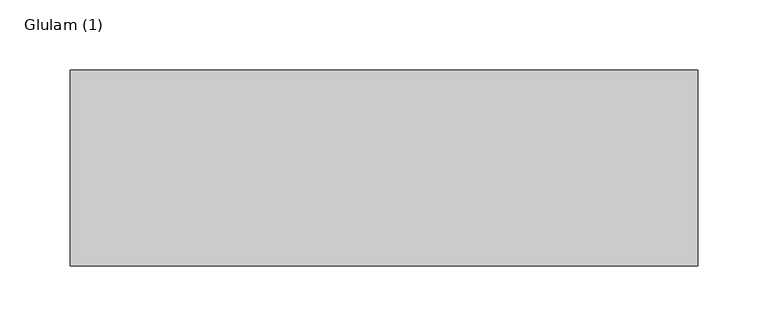
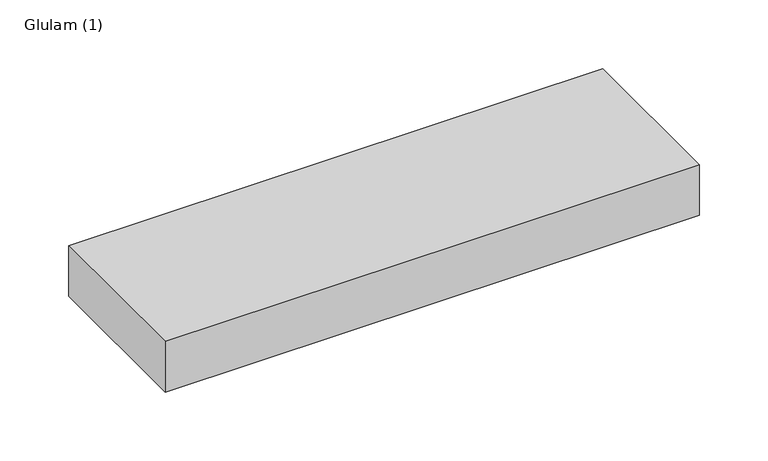
"""IFC4 building model written with IfcOpenShell, lengths in millimetres: beam geometry, Glulam (1)."""

from ifc_helpers import new_model, si_unit, frame, origin, place, context, project, spatial, polyline, outline, extrude, source, transform, mapped, element, save


def glulam_1_d2729d02(model_context):
    return source(origin(), model_context, "Body", "SweptSolid", [
        extrude(outline(polyline([(256.0, 70.0), (256.0, -70.0), (-192.0, -70.0), (-192.0, 70.0), (256.0, 70.0)])), frame((0.0, 0.0, -22.5), z_axis=(0.0, 0.0, 1.0), x_axis=(1.0, 0.0, 0.0)), (0.0, 0.0, 1.0), 45.0),
    ])


if __name__ == "__main__":
    model = new_model("IFC4")
    model_context = context("Model", 3, world=origin())
    ifc_project = project(units=[si_unit("LENGTHUNIT", "METRE", prefix="MILLI")], contexts=[model_context])
    site = spatial("IfcSite", under=ifc_project)
    building = spatial("IfcBuilding", under=site)
    placement = place(None, origin())
    glulam_1_shape = glulam_1_d2729d02(model_context)
    element("IfcBeam", 1, ObjectType="Glulam (1)", at=placement, inside=building, context=model_context, shape_type="MappedRepresentation", body=[
        mapped(glulam_1_shape, transform((0.0, 0.0, 0.0), x_axis=(1.0, 0.0, 0.0), y_axis=(0.0, 1.0, 0.0), z_axis=(0.0, 0.0, 1.0))),
    ])
    save(model, "model.ifc")
